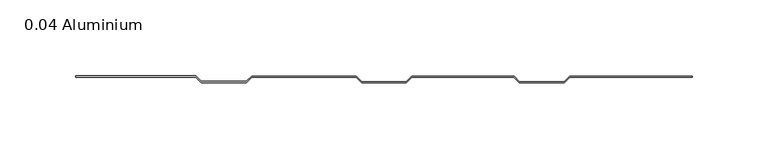
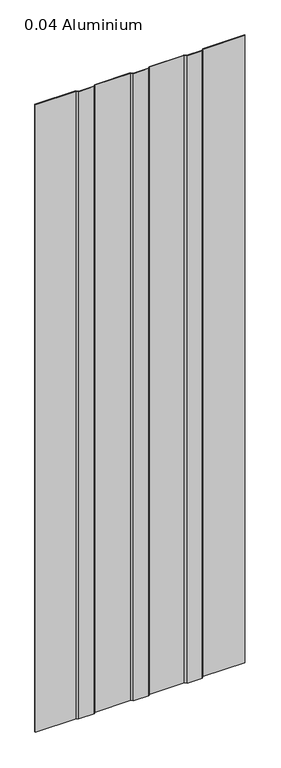
"""IFC4 building model written with IfcOpenShell, lengths in millimetres: plate geometry, 0.04 Aluminium."""

from ifc_helpers import new_model, si_unit, origin, origin_with_axes, place, context, project, spatial, polyline, outline, extrude, source, transform, mapped, element, save


def plate_0_04_aluminium_705ef83d(model_context):
    return source(origin(), model_context, "Body", "SweptSolid", [
        extrude(outline(polyline([(-123.9800294, 1.016), (-120.4316494, -2.53238), (-90.8914494, -2.53238), (-87.3430694, 0.8128), (-18.31848, 0.8128), (-14.7701, -2.73558), (14.7701, -2.73558), (18.31848, 0.8128), (85.75548, 0.8128), (89.30386, -2.73558), (118.84406, -2.73558), (122.39244, 0.8128), (203.2, 0.8128), (203.2, 0.0), (122.456147, 0.0), (118.907767, -3.54838), (89.240153, -3.54838), (85.691773, 0.0), (18.382187, 0.0), (14.833807, -3.54838), (-14.833807, -3.54838), (-18.382187, 0.0), (-87.2793624, 0.0), (-90.8277424, -3.54838), (-120.4953564, -3.54838), (-124.0437364, 0.0), (-203.2, 0.0), (-203.2, 1.016), (-123.9800294, 1.016)])), origin_with_axes(), (0.0, 0.0, 1.0), 1285.875),
    ])


if __name__ == "__main__":
    model = new_model("IFC4")
    model_context = context("Model", 3, world=origin())
    ifc_project = project(units=[si_unit("LENGTHUNIT", "METRE", prefix="MILLI")], contexts=[model_context])
    site = spatial("IfcSite", under=ifc_project)
    building = spatial("IfcBuilding", under=site)
    placement = place(None, origin())
    plate_0_04_aluminium_shape = plate_0_04_aluminium_705ef83d(model_context)
    element("IfcPlate", 1, ObjectType="0.04 Aluminium", at=placement, inside=building, context=model_context, shape_type="MappedRepresentation", body=[
        mapped(plate_0_04_aluminium_shape, transform((0.0, 0.0, 0.0), x_axis=(1.0, 0.0, 0.0), y_axis=(0.0, 1.0, 0.0), z_axis=(0.0, 0.0, 1.0))),
    ])
    save(model, "model.ifc")
